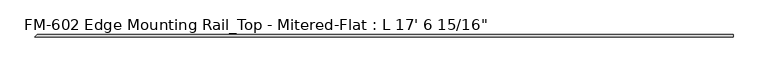
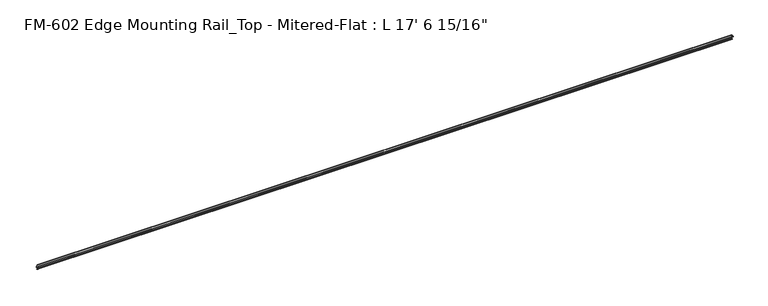
"""IFC4 building model written with IfcOpenShell, lengths in millimetres: proxy geometry."""

import ifcopenshell
import ifcopenshell.guid

model = None  # the IFC model being written
_history = None  # IfcOwnerHistory: only IFC2X3 demands one
_inside = {}  # id of a spatial element -> (the spatial element, [elements in it])
_under = {}  # id of a project, library or spatial element -> (it, [spatial elements below it])
_declared = {}  # id of a project -> (the project, [libraries it declares])
_typed = {}  # id of a type object -> (the type object, [elements of that type])
_made_of = {}  # id of a material, layer set ... -> (it, [elements and type objects made of it])


def new_model(schema):
    """Start an empty IFC model of exactly this schema.

    Asked for "IFC4X3", IfcOpenShell would pick the latest addendum, in which some entities
    have other attributes; the version numbers below select the first issue.
    IFC2X3 requires an IfcOwnerHistory on every rooted entity: one is made here for all.
    """
    global model, _history
    if schema == "IFC4X3":
        model = ifcopenshell.file(schema_version=(4, 3, 0, 0))
    else:
        model = ifcopenshell.file(schema=schema)
    _inside.clear()
    _under.clear()
    _declared.clear()
    _typed.clear()
    _made_of.clear()
    _history = None
    if model.schema == "IFC2X3":
        org = make("IfcOrganization", Name="unknown")
        user = make(
            "IfcPersonAndOrganization",
            ThePerson=make("IfcPerson", FamilyName="unknown"),
            TheOrganization=org,
        )
        app = make(
            "IfcApplication",
            ApplicationDeveloper=org,
            Version="unknown",
            ApplicationFullName="unknown",
            ApplicationIdentifier="unknown",
        )
        _history = make(
            "IfcOwnerHistory",
            OwningUser=user,
            OwningApplication=app,
            ChangeAction="ADDED",
            CreationDate=0,
        )
    return model


def make(cls, **values):
    """One entity of the class cls with the attributes given. An attribute that is None is left unset."""
    return model.create_entity(
        cls, **{name: value for name, value in values.items() if value is not None}
    )


def rooted(cls, **values):
    """An entity with a GlobalId (a new one), such as an element, a storey or a relation."""
    return make(cls, GlobalId=ifcopenshell.guid.new(), OwnerHistory=_history, **values)


def si_unit(unit_type, name, prefix=None):
    """IfcSIUnit, for example si_unit("LENGTHUNIT", "METRE", prefix="MILLI")."""
    return make("IfcSIUnit", UnitType=unit_type, Prefix=prefix, Name=name)


def assignment(units):
    """IfcUnitAssignment: the units of a project."""
    return None if units is None else make("IfcUnitAssignment", Units=units)


def point(xyz):
    """IfcCartesianPoint."""
    return None if xyz is None else make("IfcCartesianPoint", Coordinates=xyz)


def direction(xyz):
    """IfcDirection."""
    return None if xyz is None else make("IfcDirection", DirectionRatios=xyz)


def frame(location, z_axis=None, x_axis=None):
    """IfcAxis2Placement3D, a coordinate frame: its origin and axes. An axis left out is left unset."""
    return make(
        "IfcAxis2Placement3D",
        Location=point(location),
        Axis=direction(z_axis),
        RefDirection=direction(x_axis),
    )


def origin():
    """The frame at (0, 0, 0) with its axes left unset."""
    return frame((0.0, 0.0, 0.0))


def origin_with_axes():
    """The frame at (0, 0, 0) with the z axis (0, 0, 1) and the x axis (1, 0, 0) written out."""
    return frame((0.0, 0.0, 0.0), z_axis=(0.0, 0.0, 1.0), x_axis=(1.0, 0.0, 0.0))


def place(relative_to, where):
    """IfcLocalPlacement: puts the frame where relative to a parent placement (None: the world)."""
    return make(
        "IfcLocalPlacement", PlacementRelTo=relative_to, RelativePlacement=where
    )


def context(
    kind, dimensions, precision=None, world=None, true_north=None, identifier=None
):
    """IfcGeometricRepresentationContext, for example the 3D "Model" context."""
    return make(
        "IfcGeometricRepresentationContext",
        ContextIdentifier=identifier,
        ContextType=kind,
        CoordinateSpaceDimension=dimensions,
        Precision=precision,
        WorldCoordinateSystem=world,
        TrueNorth=true_north,
    )


def project(units=None, contexts=None):
    """IfcProject with its units and contexts."""
    return rooted(
        "IfcProject",
        Name="project",
        RepresentationContexts=contexts,
        UnitsInContext=assignment(units),
    )


def spatial(cls, under=None, at=None, **own):
    """A site, building, storey or space (cls), placed at a placement, below another one or the project."""
    s = rooted(cls, ObjectPlacement=at, **own)
    if under is not None:
        _under.setdefault(under.id(), (under, []))[1].append(s)
    return s


def polyline(points):
    """IfcPolyline through the points."""
    return make("IfcPolyline", Points=[point(p) for p in points])


def circle_curve(where, radius):
    """IfcCircle in the frame where."""
    return make("IfcCircle", Position=where, Radius=radius)


def ellipse_curve(where, semi_axis1, semi_axis2):
    """IfcEllipse in the frame where."""
    return make(
        "IfcEllipse", Position=where, SemiAxis1=semi_axis1, SemiAxis2=semi_axis2
    )


def shape(context_of_items, identifier, shape_type, items):
    """IfcShapeRepresentation: the items that make up one representation, for example the "Body"."""
    return make(
        "IfcShapeRepresentation",
        ContextOfItems=context_of_items,
        RepresentationIdentifier=identifier,
        RepresentationType=shape_type,
        Items=items,
    )


def source(mapping_origin, context_of_items, identifier, shape_type, items):
    """IfcRepresentationMap: a shape defined once, which mapped items show again and again."""
    return make(
        "IfcRepresentationMap",
        MappingOrigin=mapping_origin,
        MappedRepresentation=shape(context_of_items, identifier, shape_type, items),
    )


def transform(
    local_origin,
    x_axis=None,
    y_axis=None,
    z_axis=None,
    scale=None,
    scale2=None,
    scale3=None,
    uniform=True,
):
    """IfcCartesianTransformationOperator3D, or its non-uniform kind. x_axis, y_axis, z_axis: its Axis1, 2, 3."""
    if uniform:
        return make(
            "IfcCartesianTransformationOperator3D",
            Axis1=direction(x_axis),
            Axis2=direction(y_axis),
            LocalOrigin=point(local_origin),
            Scale=scale,
            Axis3=direction(z_axis),
        )
    return make(
        "IfcCartesianTransformationOperator3DnonUniform",
        Axis1=direction(x_axis),
        Axis2=direction(y_axis),
        LocalOrigin=point(local_origin),
        Scale=scale,
        Axis3=direction(z_axis),
        Scale2=scale2,
        Scale3=scale3,
    )


def mapped(mapping_source, mapping_target):
    """IfcMappedItem: shows the shape of a source again, moved by a transform."""
    return make(
        "IfcMappedItem", MappingSource=mapping_source, MappingTarget=mapping_target
    )


def made_of(thing, what):
    """Note that an element or type object is made of a material, layer set ...; save() writes the relation."""
    if what is not None:
        _made_of.setdefault(what.id(), (what, []))[1].append(thing)
    return thing


def element(
    cls,
    number,
    at=None,
    inside=None,
    cuts=None,
    type_object=None,
    material=None,
    context=None,
    identifier="Body",
    shape_type=None,
    held_by="IfcProductDefinitionShape",
    body=None,
    shapes=None,
    **own,
):
    """One element of the class cls, such as IfcWall. Its Tag is "e" and its number.

    at: its placement. inside: the storey or other place that contains it. cuts: it is an
    opening in that element (IfcRelVoidsElement). A single representation is given by context,
    identifier, shape_type and body (its items); several are given by shapes. held_by: the class
    of the entity that holds the representations. save() writes the other relations.
    """
    e = rooted(cls, Tag="e%d" % number, ObjectPlacement=at, **own)
    if body is not None:
        shapes = [shape(context, identifier, shape_type, body)]
    if shapes is not None:
        e.Representation = make(held_by, Representations=shapes)
    if inside is not None:
        _inside.setdefault(inside.id(), (inside, []))[1].append(e)
    if cuts is not None:
        rooted(
            "IfcRelVoidsElement", RelatingBuildingElement=cuts, RelatedOpeningElement=e
        )
    if type_object is not None:
        _typed.setdefault(type_object.id(), (type_object, []))[1].append(e)
    return made_of(e, material)


def aggregate(whole, parts):
    """IfcRelAggregates: a whole, such as a stair, and the parts it consists of."""
    return rooted("IfcRelAggregates", RelatingObject=whole, RelatedObjects=parts)


def save(model, path):
    """Write the relations noted so far, then the file.

    IfcRelAggregates (storeys below a building ...), IfcRelContainedInSpatialStructure (elements
    in a storey), IfcRelDefinesByType, IfcRelAssociatesMaterial and IfcRelDeclares: one each for
    every whole, place, type object, material and project.
    """
    for whole, parts in _under.values():
        aggregate(whole, parts)
    for where, things in _inside.values():
        rooted(
            "IfcRelContainedInSpatialStructure",
            RelatedElements=things,
            RelatingStructure=where,
        )
    for kind, things in _typed.values():
        rooted("IfcRelDefinesByType", RelatedObjects=things, RelatingType=kind)
    for what, things in _made_of.values():
        rooted("IfcRelAssociatesMaterial", RelatedObjects=things, RelatingMaterial=what)
    for by, libraries in _declared.values():
        rooted("IfcRelDeclares", RelatingContext=by, RelatedDefinitions=libraries)
    model.write(path)


def plane_surface(at):
    """IfcPlane: the flat surface through the origin of the frame at, square to its z axis."""
    return make("IfcPlane", Position=at)


def cylinder_surface(at, radius):
    """IfcCylindricalSurface: all points at the distance radius from the z axis of the frame at."""
    return make("IfcCylindricalSurface", Position=at, Radius=radius)


def revolved_surface(curve, axis_point, axis_direction):
    """IfcSurfaceOfRevolution: the curve turned about the line through axis_point along axis_direction."""
    return make(
        "IfcSurfaceOfRevolution",
        SweptCurve=make("IfcArbitraryOpenProfileDef", ProfileType="CURVE", Curve=curve),
        AxisPosition=make("IfcAxis1Placement", Location=point(axis_point), Axis=direction(axis_direction)),
    )


def advanced_brep(points, edges, surfaces, faces):
    """IfcAdvancedBrep: a solid bounded by faces that lie on surfaces and meet in shared edges.

    An edge is (start, end): straight between two places in points (the first is 0);
    or (start, end, curve); or (start, end, curve, False) where it runs against its curve.
    A face is (place in surfaces, loops), or (place, loops, False) where it looks against
    its surface's normal. A loop lists edges by number (the first is 1), with a minus sign
    where the edge is run from its end to its start. The first loop is the outer one.
    """
    corners = [point(p) for p in points]
    vertices = [make("IfcVertexPoint", VertexGeometry=c) for c in corners]
    made = []
    for start, end, *more in edges:
        made.append(
            make(
                "IfcEdgeCurve",
                EdgeStart=vertices[start],
                EdgeEnd=vertices[end],
                EdgeGeometry=more[0] if more else make("IfcPolyline", Points=[corners[start], corners[end]]),
                SameSense=more[1] if len(more) > 1 else True,
            )
        )
    hull = []
    for where, loops, *sense in faces:
        bounds = []
        for j, loop in enumerate(loops):
            ring = [make("IfcOrientedEdge", EdgeElement=made[abs(k) - 1], Orientation=k > 0) for k in loop]
            bounds.append(
                make(
                    "IfcFaceOuterBound" if j == 0 else "IfcFaceBound",
                    Bound=make("IfcEdgeLoop", EdgeList=ring),
                    Orientation=True,
                )
            )
        hull.append(make("IfcAdvancedFace", Bounds=bounds, FaceSurface=surfaces[where], SameSense=sense[0] if sense else True))
    return make("IfcAdvancedBrep", Outer=make("IfcClosedShell", CfsFaces=hull))


def proxy_61afdf8c(model_context):
    return source(origin(), model_context, "Body", "AdvancedBrep", [
        advanced_brep(
        [(5357.8125, 13.6400687, -32.1158903), (5357.8125, 15.4750158, -32.6885982), (5357.8125, 16.1549378, -32.2686835), (5357.8125, 16.1549378, -30.7270734), (5357.8125, 17.7424378, -29.1395734), (5357.8125, 19.05, -29.1395734), (5357.8125, 19.05, 0.0), (5357.8125, 0.0, 0.0), (5357.8125, 0.0, -1.5875), (5357.8125, 3.2106953, -1.5875), (5357.8125, 6.3856306, -1.6018315), (5357.8125, 15.5573314, -1.6102595), (5357.8125, 17.4625, -3.5152595), (5357.8125, 17.4625, -12.4909614), (5357.8125, 17.9716639, -13.408381), (5357.8125, 17.9716639, -14.7485418), (5357.8125, 17.4625, -15.6659614), (5357.8125, 17.4625, -26.8535734), (5357.8125, 16.9376166, -27.3612928), (5357.8125, 16.1779173, -26.4138515), (5357.8125, 15.4364113, -25.7360779), (5357.8125, 13.6400687, -26.2967369), (5357.8125, 11.9462301, -30.7938136), (13.6400687, 13.6400687, -32.1158903), (15.4750158, 15.4750158, -32.6885982), (16.1549378, 16.1549378, -32.2686835), (16.1549378, 16.1549378, -30.7270734), (17.7424378, 17.7424378, -29.1395734), (19.05, 19.05, -29.1395734), (19.05, 19.05, 0.0), (0.0, 0.0, 0.0), (15.5573314, 15.5573314, -1.6102595), (17.4625, 17.4625, -3.5152595), (17.4625, 17.4625, -12.4909614), (17.9716639, 17.9716639, -13.408381), (17.9716639, 17.9716639, -14.7485418), (17.4625, 17.4625, -15.6659614), (17.4625, 17.4625, -26.8535734), (16.9376166, 16.9376166, -27.3612928), (16.1779173, 16.1779173, -26.4138515), (15.4364113, 15.4364113, -25.7360779), (13.6400687, 13.6400687, -26.2967369), (11.9462301, 11.9462301, -30.7938136), (0.0, 0.0, -1.5875), (3.2106953, 3.2106953, -1.5875), (6.3856306, 6.3856306, -1.6018315)],
        [
            (0, 1),
            (1, 2, circle_curve(frame((5357.8125, 15.6853088, -32.2686835), z_axis=(1.0, 0.0, 0.0), x_axis=(0.0, -1.0, 0.0)), 0.4696291)),
            (2, 3),
            (3, 4, circle_curve(frame((5357.8125, 17.7424378, -30.7270734), z_axis=(-1.0, 0.0, 0.0), x_axis=(0.0, -1.0, 0.0)), 1.5875)),
            (4, 5),
            (5, 6),
            (6, 7),
            (7, 8),
            (8, 9),
            (9, 10, circle_curve(frame((5357.8125, 4.7981953, -1.5875), z_axis=(1.0, 0.0, 0.0), x_axis=(0.0, -1.0, 0.0)), 1.5875)),
            (10, 11),
            (11, 12, circle_curve(frame((5357.8125, 15.5575, -3.5152595), z_axis=(-1.0, 0.0, 0.0), x_axis=(0.0, -1.0, 0.0)), 1.905)),
            (12, 13),
            (13, 14),
            (14, 15),
            (15, 16),
            (16, 17),
            (17, 18, circle_curve(frame((5357.8125, 16.9545, -26.8535734), z_axis=(-1.0, 0.0, 0.0), x_axis=(0.0, -1.0, 0.0)), 0.508)),
            (18, 19, circle_curve(frame((5357.8125, 16.9169378, -26.5995734), z_axis=(-1.0, 0.0, 0.0), x_axis=(0.0, -1.0, 0.0)), 0.762)),
            (19, 20, circle_curve(frame((5357.8125, 15.6245238, -26.2747792), z_axis=(1.0, 0.0, 0.0), x_axis=(0.0, -1.0, 0.0)), 0.5706009)),
            (20, 21),
            (21, 22, circle_curve(frame((5357.8125, 14.5481808, -29.2063136), z_axis=(1.0, 0.0, 0.0), x_axis=(0.0, -1.0, 0.0)), 3.048)),
            (22, 0, circle_curve(frame((5357.8125, 14.5481808, -29.2063136), z_axis=(1.0, 0.0, 0.0), x_axis=(0.0, -1.0, 0.0)), 3.048)),
            (0, 23),
            (23, 24),
            (24, 1),
            (24, 25, ellipse_curve(frame((15.6853088, 15.6853088, -32.2686835), z_axis=(0.7071067811865469, -0.7071067811865481, 0.0), x_axis=(-0.707106781186548, -0.7071067811865469, 0.0)), 0.6641558, 0.4696291)),
            (25, 2),
            (25, 26),
            (26, 3),
            (26, 27, ellipse_curve(frame((17.7424378, 17.7424378, -30.7270734), z_axis=(-0.7071067811865469, 0.7071067811865481, 0.0), x_axis=(0.707106781186548, 0.7071067811865469, 0.0)), 2.245064, 1.5875)),
            (27, 4),
            (27, 28),
            (28, 5),
            (28, 29),
            (29, 6),
            (29, 30),
            (30, 7),
            (11, 31),
            (31, 32, ellipse_curve(frame((15.5575, 15.5575, -3.5152595), z_axis=(-0.7071067811865469, 0.7071067811865481, 0.0), x_axis=(0.707106781186548, 0.7071067811865469, 0.0)), 2.6940768, 1.905)),
            (32, 12),
            (32, 33),
            (33, 13),
            (33, 34),
            (34, 14),
            (34, 35),
            (35, 15),
            (35, 36),
            (36, 16),
            (36, 37),
            (37, 17),
            (37, 38, ellipse_curve(frame((16.9545, 16.9545, -26.8535734), z_axis=(-0.7071067811865469, 0.7071067811865481, 0.0), x_axis=(0.707106781186548, 0.7071067811865469, 0.0)), 0.7184205, 0.508)),
            (38, 18),
            (38, 39, ellipse_curve(frame((16.9169378, 16.9169378, -26.5995734), z_axis=(-0.7071067811865469, 0.7071067811865481, 0.0), x_axis=(0.707106781186548, 0.7071067811865469, 0.0)), 1.0776307, 0.762)),
            (39, 19),
            (39, 40, ellipse_curve(frame((15.6245238, 15.6245238, -26.2747792), z_axis=(0.7071067811865469, -0.7071067811865481, 0.0), x_axis=(-0.707106781186548, -0.7071067811865469, 0.0)), 0.8069516, 0.5706009)),
            (40, 20),
            (40, 41),
            (41, 21),
            (41, 42, ellipse_curve(frame((14.5481808, 14.5481808, -29.2063136), z_axis=(0.7071067811865469, -0.7071067811865481, 0.0), x_axis=(-0.707106781186548, -0.7071067811865469, 0.0)), 4.3105229, 3.048)),
            (42, 22),
            (42, 23, ellipse_curve(frame((14.5481808, 14.5481808, -29.2063136), z_axis=(0.7071067811865469, -0.7071067811865481, 0.0), x_axis=(-0.707106781186548, -0.7071067811865469, 0.0)), 4.3105229, 3.048)),
            (30, 43),
            (43, 8),
            (43, 44),
            (44, 9),
            (44, 45, ellipse_curve(frame((4.7981953, 4.7981953, -1.5875), z_axis=(0.7071067811865469, -0.7071067811865481, 0.0), x_axis=(-0.707106781186548, -0.7071067811865469, 0.0)), 2.245064, 1.5875)),
            (45, 10),
            (45, 31),
        ],
        [
            plane_surface(frame((5357.8125, 11.5001808, -29.2063136), z_axis=(1.0, 0.0, 0.0), x_axis=(0.0, 0.0, -1.0))),
            plane_surface(frame((0.0, 15.4750158, -32.6885982), z_axis=(0.0, -0.2979370393092848, -0.9545855229405157), x_axis=(1.0, 0.0, 0.0))),
            cylinder_surface(frame((5357.8125, 15.6853088, -32.2686835), z_axis=(-1.0, 0.0, 0.0), x_axis=(0.0, -1.0, 0.0)), 0.4696291),
            plane_surface(frame((0.0, 16.1549378, -30.7270734), z_axis=(0.0, 1.0, 0.0), x_axis=(1.0, 0.0, 0.0))),
            revolved_surface(polyline([(5357.8125, 16.154937800000003, -30.7270734), (16.15493779999997, 16.154937800000003, -30.7270734)]), (5357.8125, 17.7424378, -30.7270734), (1.0, 0.0, 0.0)),
            plane_surface(frame((0.0, 19.05, -29.1395734), z_axis=(0.0, 0.0, -1.0), x_axis=(1.0, 0.0, 0.0))),
            plane_surface(frame((0.0, 19.05, 0.0), z_axis=(0.0, 1.0, 0.0), x_axis=(1.0, 0.0, 0.0))),
            plane_surface(origin_with_axes()),
            revolved_surface(polyline([(5357.8125, 13.6525, -3.5152595), (13.652500025682457, 13.6525, -3.5152595)]), (5357.8125, 15.5575, -3.5152595), (1.0, 0.0, 0.0)),
            plane_surface(frame((0.0, 17.4625, -12.4909614), z_axis=(0.0, -1.0, 0.0), x_axis=(1.0, 0.0, 0.0))),
            plane_surface(frame((0.0, 17.9716639, -13.408381), z_axis=(0.0, -0.8743650443659625, -0.48526875975165407), x_axis=(1.0, 0.0, 0.0))),
            plane_surface(frame((0.0, 17.9716639, -14.7485418), z_axis=(0.0, -1.0, 0.0), x_axis=(1.0, 0.0, 0.0))),
            plane_surface(frame((0.0, 17.4625, -15.6659614), z_axis=(0.0, -0.8743650443696195, 0.48526875974506484), x_axis=(1.0, 0.0, 0.0))),
            plane_surface(frame((0.0, 17.4625, -26.8535734), z_axis=(0.0, -1.0, 0.0), x_axis=(1.0, 0.0, 0.0))),
            revolved_surface(polyline([(5357.8125, 16.4465, -26.8535734), (16.446499992706777, 16.4465, -26.8535734)]), (5357.8125, 16.9545, -26.8535734), (1.0, 0.0, 0.0)),
            revolved_surface(polyline([(5357.8125, 16.1549378, -26.5995734), (16.154937824414446, 16.1549378, -26.5995734)]), (5357.8125, 16.9169378, -26.5995734), (1.0, 0.0, 0.0)),
            cylinder_surface(frame((5357.8125, 15.6245238, -26.2747792), z_axis=(-1.0, 0.0, 0.0), x_axis=(0.0, -1.0, 0.0)), 0.5706009),
            plane_surface(frame((0.0, 13.6400687, -26.2967369), z_axis=(0.0, -0.2979370393102689, 0.9545855229402085), x_axis=(1.0, 0.0, 0.0))),
            cylinder_surface(frame((5357.8125, 14.5481808, -29.2063136), z_axis=(-1.0, 0.0, 0.0), x_axis=(0.0, -1.0, 0.0)), 3.048),
            plane_surface(frame((0.0, 0.0, -1.5875), z_axis=(0.0, -1.0, 0.0), x_axis=(1.0, 0.0, 0.0))),
            plane_surface(frame((0.0, 3.2106953, -1.5875), z_axis=(0.0, 0.0, -1.0), x_axis=(1.0, 0.0, 0.0))),
            cylinder_surface(frame((5357.8125, 4.7981953, -1.5875), z_axis=(-1.0, 0.0, 0.0), x_axis=(0.0, -1.0, 0.0)), 1.5875),
            plane_surface(frame((0.0, 15.5573314, -1.6102595), z_axis=(0.0, -0.0009189159949565421, -0.999999577796608), x_axis=(1.0, 0.0, 0.0))),
            plane_surface(frame((0.0, 0.0, 0.0), z_axis=(-0.7071067811865469, 0.7071067811865481, 0.0), x_axis=(0.0, 0.0, -1.0))),
        ],
        [
            (0, [[1, 2, 3, 4, 5, 6, 7, 8, 9, 10, 11, 12, 13, 14, 15, 16, 17, 18, 19, 20, 21, 22, 23]]),
            (1, [[-1, 24, 25, 26]]),
            (2, [[-2, -26, 27, 28]]),
            (3, [[-3, -28, 29, 30]]),
            (4, [[-4, -30, 31, 32]]),
            (5, [[-5, -32, 33, 34]]),
            (6, [[-6, -34, 35, 36]]),
            (7, [[-7, -36, 37, 38]]),
            (8, [[-12, 39, 40, 41]]),
            (9, [[-13, -41, 42, 43]]),
            (10, [[-14, -43, 44, 45]]),
            (11, [[-15, -45, 46, 47]]),
            (12, [[-16, -47, 48, 49]]),
            (13, [[-17, -49, 50, 51]]),
            (14, [[-18, -51, 52, 53]]),
            (15, [[-19, -53, 54, 55]]),
            (16, [[-20, -55, 56, 57]]),
            (17, [[-21, -57, 58, 59]]),
            (18, [[-22, -59, 60, 61]]),
            (18, [[-23, -61, 62, -24]]),
            (19, [[-8, -38, 63, 64]]),
            (20, [[-9, -64, 65, 66]]),
            (21, [[-10, -66, 67, 68]]),
            (22, [[-11, -68, 69, -39]]),
            (23, [[-25, -62, -60, -58, -56, -54, -52, -50, -48, -46, -44, -42, -40, -69, -67, -65, -63, -37, -35, -33, -31, -29, -27]]),
        ],
    ),
    ])


if __name__ == "__main__":
    model = new_model("IFC4")
    model_context = context("Model", 3, world=origin())
    ifc_project = project(units=[si_unit("LENGTHUNIT", "METRE", prefix="MILLI")], contexts=[model_context])
    site = spatial("IfcSite", under=ifc_project)
    building = spatial("IfcBuilding", under=site)
    placement = place(None, origin())
    proxy_shape = proxy_61afdf8c(model_context)
    element("IfcBuildingElementProxy", 1, Name="FM-602 Edge Mounting Rail_Top - Mitered-Flat : L 17' 6 15/16\"", ObjectType="FM-602 Edge Mounting Rail_Top - Mitered-Flat : L 17' 6 15/16\"", at=placement, inside=building, context=model_context, shape_type="MappedRepresentation", body=[
        mapped(proxy_shape, transform((0.0, 0.0, 0.0), x_axis=(1.0, 0.0, 0.0), y_axis=(0.0, 1.0, 0.0), z_axis=(0.0, 0.0, 1.0))),
    ])
    save(model, "model.ifc")
